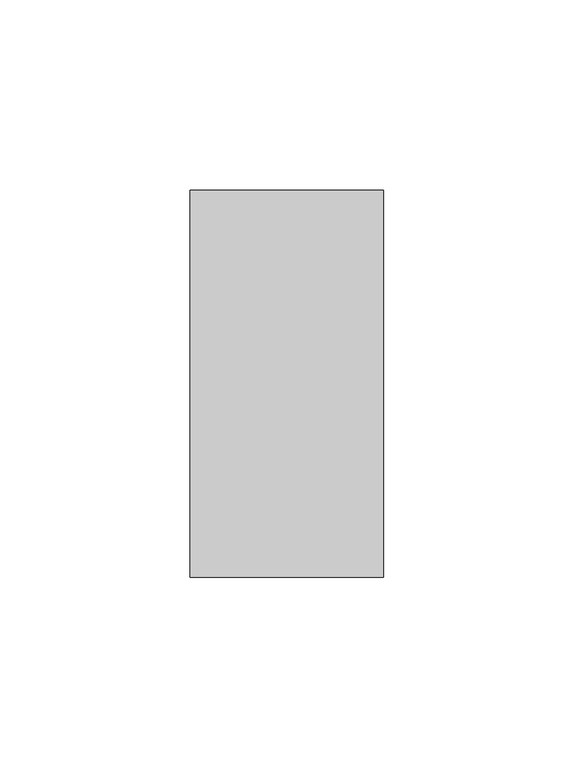
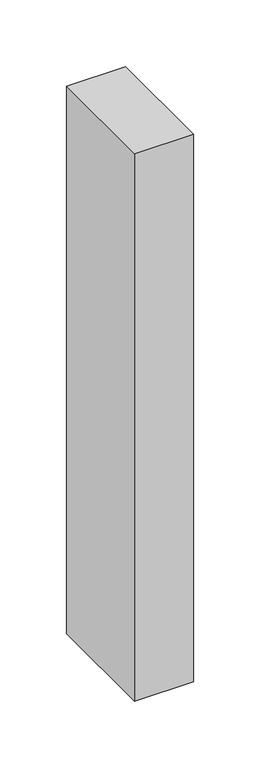
"""IFC4 building model written with IfcOpenShell, lengths in millimetres: proxy geometry."""

import ifcopenshell
import ifcopenshell.guid

model = None  # the IFC model being written
_history = None  # IfcOwnerHistory: only IFC2X3 demands one
_inside = {}  # id of a spatial element -> (the spatial element, [elements in it])
_under = {}  # id of a project, library or spatial element -> (it, [spatial elements below it])
_declared = {}  # id of a project -> (the project, [libraries it declares])
_typed = {}  # id of a type object -> (the type object, [elements of that type])
_made_of = {}  # id of a material, layer set ... -> (it, [elements and type objects made of it])


def new_model(schema):
    """Start an empty IFC model of exactly this schema.

    Asked for "IFC4X3", IfcOpenShell would pick the latest addendum, in which some entities
    have other attributes; the version numbers below select the first issue.
    IFC2X3 requires an IfcOwnerHistory on every rooted entity: one is made here for all.
    """
    global model, _history
    if schema == "IFC4X3":
        model = ifcopenshell.file(schema_version=(4, 3, 0, 0))
    else:
        model = ifcopenshell.file(schema=schema)
    _inside.clear()
    _under.clear()
    _declared.clear()
    _typed.clear()
    _made_of.clear()
    _history = None
    if model.schema == "IFC2X3":
        org = make("IfcOrganization", Name="unknown")
        user = make(
            "IfcPersonAndOrganization",
            ThePerson=make("IfcPerson", FamilyName="unknown"),
            TheOrganization=org,
        )
        app = make(
            "IfcApplication",
            ApplicationDeveloper=org,
            Version="unknown",
            ApplicationFullName="unknown",
            ApplicationIdentifier="unknown",
        )
        _history = make(
            "IfcOwnerHistory",
            OwningUser=user,
            OwningApplication=app,
            ChangeAction="ADDED",
            CreationDate=0,
        )
    return model


def make(cls, **values):
    """One entity of the class cls with the attributes given. An attribute that is None is left unset."""
    return model.create_entity(
        cls, **{name: value for name, value in values.items() if value is not None}
    )


def rooted(cls, **values):
    """An entity with a GlobalId (a new one), such as an element, a storey or a relation."""
    return make(cls, GlobalId=ifcopenshell.guid.new(), OwnerHistory=_history, **values)


def si_unit(unit_type, name, prefix=None):
    """IfcSIUnit, for example si_unit("LENGTHUNIT", "METRE", prefix="MILLI")."""
    return make("IfcSIUnit", UnitType=unit_type, Prefix=prefix, Name=name)


def assignment(units):
    """IfcUnitAssignment: the units of a project."""
    return None if units is None else make("IfcUnitAssignment", Units=units)


def point(xyz):
    """IfcCartesianPoint."""
    return None if xyz is None else make("IfcCartesianPoint", Coordinates=xyz)


def direction(xyz):
    """IfcDirection."""
    return None if xyz is None else make("IfcDirection", DirectionRatios=xyz)


def frame(location, z_axis=None, x_axis=None):
    """IfcAxis2Placement3D, a coordinate frame: its origin and axes. An axis left out is left unset."""
    return make(
        "IfcAxis2Placement3D",
        Location=point(location),
        Axis=direction(z_axis),
        RefDirection=direction(x_axis),
    )


def origin():
    """The frame at (0, 0, 0) with its axes left unset."""
    return frame((0.0, 0.0, 0.0))


def origin_with_axes():
    """The frame at (0, 0, 0) with the z axis (0, 0, 1) and the x axis (1, 0, 0) written out."""
    return frame((0.0, 0.0, 0.0), z_axis=(0.0, 0.0, 1.0), x_axis=(1.0, 0.0, 0.0))


def place(relative_to, where):
    """IfcLocalPlacement: puts the frame where relative to a parent placement (None: the world)."""
    return make(
        "IfcLocalPlacement", PlacementRelTo=relative_to, RelativePlacement=where
    )


def context(
    kind, dimensions, precision=None, world=None, true_north=None, identifier=None
):
    """IfcGeometricRepresentationContext, for example the 3D "Model" context."""
    return make(
        "IfcGeometricRepresentationContext",
        ContextIdentifier=identifier,
        ContextType=kind,
        CoordinateSpaceDimension=dimensions,
        Precision=precision,
        WorldCoordinateSystem=world,
        TrueNorth=true_north,
    )


def project(units=None, contexts=None):
    """IfcProject with its units and contexts."""
    return rooted(
        "IfcProject",
        Name="project",
        RepresentationContexts=contexts,
        UnitsInContext=assignment(units),
    )


def spatial(cls, under=None, at=None, **own):
    """A site, building, storey or space (cls), placed at a placement, below another one or the project."""
    s = rooted(cls, ObjectPlacement=at, **own)
    if under is not None:
        _under.setdefault(under.id(), (under, []))[1].append(s)
    return s


def polyline(points):
    """IfcPolyline through the points."""
    return make("IfcPolyline", Points=[point(p) for p in points])


def outline(outer, holes=None, kind="AREA"):
    """IfcArbitraryClosedProfileDef: a profile drawn as a closed curve; with holes, ...WithVoids."""
    if holes is None:
        return make("IfcArbitraryClosedProfileDef", ProfileType=kind, OuterCurve=outer)
    return make(
        "IfcArbitraryProfileDefWithVoids",
        ProfileType=kind,
        OuterCurve=outer,
        InnerCurves=holes,
    )


def extrude(swept, where, along, depth):
    """IfcExtrudedAreaSolid: the profile swept, set in the frame where, extruded along a direction by depth."""
    return make(
        "IfcExtrudedAreaSolid",
        SweptArea=swept,
        Position=where,
        ExtrudedDirection=direction(along),
        Depth=depth,
    )


def shape(context_of_items, identifier, shape_type, items):
    """IfcShapeRepresentation: the items that make up one representation, for example the "Body"."""
    return make(
        "IfcShapeRepresentation",
        ContextOfItems=context_of_items,
        RepresentationIdentifier=identifier,
        RepresentationType=shape_type,
        Items=items,
    )


def source(mapping_origin, context_of_items, identifier, shape_type, items):
    """IfcRepresentationMap: a shape defined once, which mapped items show again and again."""
    return make(
        "IfcRepresentationMap",
        MappingOrigin=mapping_origin,
        MappedRepresentation=shape(context_of_items, identifier, shape_type, items),
    )


def transform(
    local_origin,
    x_axis=None,
    y_axis=None,
    z_axis=None,
    scale=None,
    scale2=None,
    scale3=None,
    uniform=True,
):
    """IfcCartesianTransformationOperator3D, or its non-uniform kind. x_axis, y_axis, z_axis: its Axis1, 2, 3."""
    if uniform:
        return make(
            "IfcCartesianTransformationOperator3D",
            Axis1=direction(x_axis),
            Axis2=direction(y_axis),
            LocalOrigin=point(local_origin),
            Scale=scale,
            Axis3=direction(z_axis),
        )
    return make(
        "IfcCartesianTransformationOperator3DnonUniform",
        Axis1=direction(x_axis),
        Axis2=direction(y_axis),
        LocalOrigin=point(local_origin),
        Scale=scale,
        Axis3=direction(z_axis),
        Scale2=scale2,
        Scale3=scale3,
    )


def mapped(mapping_source, mapping_target):
    """IfcMappedItem: shows the shape of a source again, moved by a transform."""
    return make(
        "IfcMappedItem", MappingSource=mapping_source, MappingTarget=mapping_target
    )


def made_of(thing, what):
    """Note that an element or type object is made of a material, layer set ...; save() writes the relation."""
    if what is not None:
        _made_of.setdefault(what.id(), (what, []))[1].append(thing)
    return thing


def element(
    cls,
    number,
    at=None,
    inside=None,
    cuts=None,
    type_object=None,
    material=None,
    context=None,
    identifier="Body",
    shape_type=None,
    held_by="IfcProductDefinitionShape",
    body=None,
    shapes=None,
    **own,
):
    """One element of the class cls, such as IfcWall. Its Tag is "e" and its number.

    at: its placement. inside: the storey or other place that contains it. cuts: it is an
    opening in that element (IfcRelVoidsElement). A single representation is given by context,
    identifier, shape_type and body (its items); several are given by shapes. held_by: the class
    of the entity that holds the representations. save() writes the other relations.
    """
    e = rooted(cls, Tag="e%d" % number, ObjectPlacement=at, **own)
    if body is not None:
        shapes = [shape(context, identifier, shape_type, body)]
    if shapes is not None:
        e.Representation = make(held_by, Representations=shapes)
    if inside is not None:
        _inside.setdefault(inside.id(), (inside, []))[1].append(e)
    if cuts is not None:
        rooted(
            "IfcRelVoidsElement", RelatingBuildingElement=cuts, RelatedOpeningElement=e
        )
    if type_object is not None:
        _typed.setdefault(type_object.id(), (type_object, []))[1].append(e)
    return made_of(e, material)


def aggregate(whole, parts):
    """IfcRelAggregates: a whole, such as a stair, and the parts it consists of."""
    return rooted("IfcRelAggregates", RelatingObject=whole, RelatedObjects=parts)


def save(model, path):
    """Write the relations noted so far, then the file.

    IfcRelAggregates (storeys below a building ...), IfcRelContainedInSpatialStructure (elements
    in a storey), IfcRelDefinesByType, IfcRelAssociatesMaterial and IfcRelDeclares: one each for
    every whole, place, type object, material and project.
    """
    for whole, parts in _under.values():
        aggregate(whole, parts)
    for where, things in _inside.values():
        rooted(
            "IfcRelContainedInSpatialStructure",
            RelatedElements=things,
            RelatingStructure=where,
        )
    for kind, things in _typed.values():
        rooted("IfcRelDefinesByType", RelatedObjects=things, RelatingType=kind)
    for what, things in _made_of.values():
        rooted("IfcRelAssociatesMaterial", RelatedObjects=things, RelatingMaterial=what)
    for by, libraries in _declared.values():
        rooted("IfcRelDeclares", RelatingContext=by, RelatedDefinitions=libraries)
    model.write(path)


def generic_models_0407333d(model_context):
    return source(origin(), model_context, "Body", "SweptSolid", [
        extrude(outline(polyline([(50.8, 0.0), (0.0, 0.0), (0.0, 101.6), (50.8, 101.6), (50.8, 0.0)])), origin_with_axes(), (0.0, 0.0, 1.0), 500.0),
    ])


if __name__ == "__main__":
    model = new_model("IFC4")
    model_context = context("Model", 3, world=origin())
    ifc_project = project(units=[si_unit("LENGTHUNIT", "METRE", prefix="MILLI")], contexts=[model_context])
    site = spatial("IfcSite", under=ifc_project)
    building = spatial("IfcBuilding", under=site)
    placement = place(None, origin())
    generic_models_shape = generic_models_0407333d(model_context)
    element("IfcBuildingElementProxy", 1, Name="Generic Models", at=placement, inside=building, context=model_context, shape_type="MappedRepresentation", body=[
        mapped(generic_models_shape, transform((0.0, 0.0, 0.0), x_axis=(1.0, 0.0, 0.0), y_axis=(0.0, 1.0, 0.0), z_axis=(0.0, 0.0, 1.0))),
    ])
    save(model, "model.ifc")
